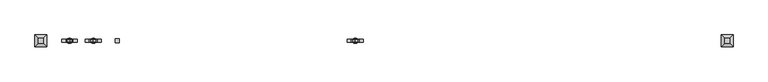
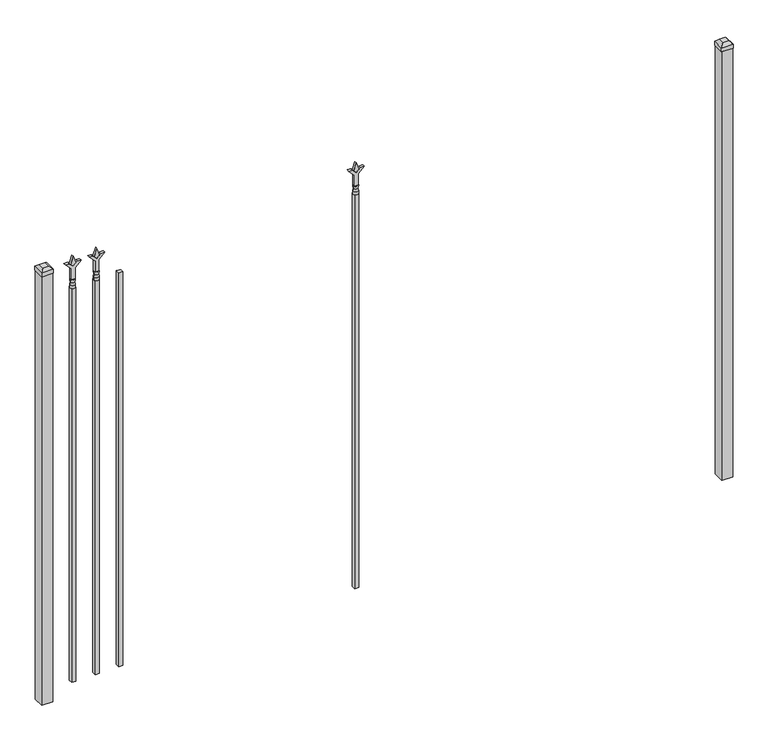
"""IFC4 building model written with IfcOpenShell, lengths in millimetres: railing geometry."""

from ifc_helpers import new_model, si_unit, frame, origin, origin_with_axes, place, context, project, spatial, polyline, circle_curve, outline, extrude, faceted_brep, source, transform, mapped, element, save
from ifc_brep_helpers import plane_surface, cylinder_surface, revolved_surface, advanced_brep


def railing_3973ff54(model_context):
    return source(origin(), model_context, "Body", "SolidModel", [
        extrude(outline(polyline([(-61004.5347536, -625.7320174), (-60985.4847536, -625.7320174), (-60985.4847536, -644.7820174), (-61004.5347536, -644.7820174), (-61004.5347536, -625.7320174)])), frame((0.0, 0.0, 50.8), z_axis=(0.0, 0.0, 1.0), x_axis=(1.0, 0.0, 0.0)), (0.0, 0.0, 1.0), 1930.4),
        extrude(outline(polyline([(2097.88125, -61092.3764203), (2133.6, -61104.2826703), (2097.88125, -61116.1889203), (2085.975, -61104.2826703), (2097.88125, -61092.3764203)])), frame((0.0, -640.0195174, 0.0), z_axis=(0.0, 1.0, 0.0), x_axis=(0.0, 0.0, 1.0)), (0.0, 0.0, 1.0), 9.525),
        extrude(outline(polyline([(2022.475, -61095.5514203), (2076.7457378, -61095.5514203), (2103.9355122, -61068.3616458), (2103.9355122, -61086.3221581), (2085.975, -61104.2826703), (2103.9355122, -61122.2431825), (2103.9355122, -61140.2036948), (2076.7457378, -61113.0139203), (2022.475, -61113.0139203), (2022.475, -61095.5514203)])), frame((0.0, -641.6070174, 0.0), z_axis=(0.0, 1.0, 0.0), x_axis=(0.0, 0.0, 1.0)), (0.0, 0.0, 1.0), 12.7),
        advanced_brep(
        [(-61092.3764203, -635.2570174, 1993.9), (-61116.1889203, -635.2570174, 1993.9), (-61116.1889203, -635.2570174, 1981.2), (-61092.3764203, -635.2570174, 1981.2), (-61094.5817522, -635.2570174, 2006.4070585), (-61113.9835884, -635.2570174, 2006.4070585), (-61092.3764203, -635.2570174, 2022.475), (-61116.1889203, -635.2570174, 2022.475), (-61104.2826703, -635.2570174, 2022.475), (-61104.2826703, -635.2570174, 1981.2)],
        [
            (0, 1, circle_curve(frame((-61104.2826703, -635.2570174, 1993.9), z_axis=(0.0, 0.0, -1.0), x_axis=(-1.0, 0.0, 0.0)), 11.90625)),
            (1, 2),
            (2, 3, circle_curve(frame((-61104.2826703, -635.2570174, 1981.2), z_axis=(0.0, 0.0, 1.0), x_axis=(-1.0, 0.0, 0.0)), 11.90625)),
            (3, 0),
            (1, 0, circle_curve(frame((-61104.2826703, -635.2570174, 1993.9), z_axis=(0.0, 0.0, -1.0), x_axis=(-1.0, 0.0, 0.0)), 11.90625)),
            (3, 2, circle_curve(frame((-61104.2826703, -635.2570174, 1981.2), z_axis=(0.0, 0.0, 1.0), x_axis=(-1.0, 0.0, 0.0)), 11.90625)),
            (4, 5, circle_curve(frame((-61104.2826703, -635.2570174, 2006.4070585), z_axis=(0.0, 0.0, -1.0), x_axis=(-1.0, 0.0, 0.0)), 9.7009181)),
            (5, 1),
            (0, 4),
            (5, 4, circle_curve(frame((-61104.2826703, -635.2570174, 2006.4070585), z_axis=(0.0, 0.0, -1.0), x_axis=(-1.0, 0.0, 0.0)), 9.7009181)),
            (6, 7, circle_curve(frame((-61104.2826703, -635.2570174, 2022.475), z_axis=(0.0, 0.0, -1.0), x_axis=(-1.0, 0.0, 0.0)), 11.90625)),
            (7, 5),
            (4, 6),
            (7, 6, circle_curve(frame((-61104.2826703, -635.2570174, 2022.475), z_axis=(0.0, 0.0, -1.0), x_axis=(-1.0, 0.0, 0.0)), 11.90625)),
            (8, 7),
            (6, 8),
            (2, 9),
            (9, 3),
        ],
        [
            cylinder_surface(frame((-61104.2826703, -635.2570174, 1981.2), z_axis=(0.0, 0.0, 1.0), x_axis=(-1.0, 0.0, 0.0)), 11.90625),
            revolved_surface(polyline([(-61116.1889203, -635.2570174, 1993.9), (-61113.9835884, -635.2570174, 2006.4070585)]), (-61104.2826703, -635.2570174, 1981.2), (0.0, 0.0, 1.0)),
            revolved_surface(polyline([(-61113.9835884, -635.2570174, 2006.4070585), (-61116.1889203, -635.2570174, 2022.475)]), (-61104.2826703, -635.2570174, 1981.2), (0.0, 0.0, 1.0)),
            plane_surface(frame((-61104.2826703, -635.2570174, 2022.475), z_axis=(0.0, 0.0, 1.0), x_axis=(-1.0, 0.0, 0.0))),
            plane_surface(frame((-61104.2826703, -635.2570174, 1981.2), z_axis=(0.0, 0.0, -1.0), x_axis=(-1.0, 0.0, 0.0))),
        ],
        [
            (0, [[1, 2, 3, 4]]),
            (0, [[5, -4, 6, -2]]),
            (1, [[7, 8, -1, 9]]),
            (1, [[10, -9, -5, -8]]),
            (2, [[11, 12, -7, 13]]),
            (2, [[14, -13, -10, -12]]),
            (3, [[15, -11, 16]]),
            (3, [[-16, -14, -15]]),
            (4, [[-3, 17, 18]]),
            (4, [[-6, -18, -17]]),
        ],
    ),
        extrude(outline(polyline([(-61113.8076703, -625.7320174), (-61094.7576703, -625.7320174), (-61094.7576703, -644.7820174), (-61113.8076703, -644.7820174), (-61113.8076703, -625.7320174)])), frame((0.0, 0.0, 50.8), z_axis=(0.0, 0.0, 1.0), x_axis=(1.0, 0.0, 0.0)), (0.0, 0.0, 1.0), 1930.4),
        extrude(outline(polyline([(2097.88125, -59890.374337), (2133.6, -59902.280587), (2097.88125, -59914.186837), (2085.975, -59902.280587), (2097.88125, -59890.374337)])), frame((0.0, -640.0195174, 0.0), z_axis=(0.0, 1.0, 0.0), x_axis=(0.0, 0.0, 1.0)), (0.0, 0.0, 1.0), 9.525),
        extrude(outline(polyline([(2022.475, -59893.549337), (2076.7457378, -59893.549337), (2103.9355122, -59866.3595625), (2103.9355122, -59884.3200747), (2085.975, -59902.280587), (2103.9355122, -59920.2410992), (2103.9355122, -59938.2016114), (2076.7457378, -59911.011837), (2022.475, -59911.011837), (2022.475, -59893.549337)])), frame((0.0, -641.6070174, 0.0), z_axis=(0.0, 1.0, 0.0), x_axis=(0.0, 0.0, 1.0)), (0.0, 0.0, 1.0), 12.7),
        advanced_brep(
        [(-59890.374337, -635.2570174, 1993.9), (-59914.186837, -635.2570174, 1993.9), (-59914.186837, -635.2570174, 1981.2), (-59890.374337, -635.2570174, 1981.2), (-59892.5796688, -635.2570174, 2006.4070585), (-59911.9815051, -635.2570174, 2006.4070585), (-59890.374337, -635.2570174, 2022.475), (-59914.186837, -635.2570174, 2022.475), (-59902.280587, -635.2570174, 2022.475), (-59902.280587, -635.2570174, 1981.2)],
        [
            (0, 1, circle_curve(frame((-59902.280587, -635.2570174, 1993.9), z_axis=(0.0, 0.0, -1.0), x_axis=(-1.0, 0.0, 0.0)), 11.90625)),
            (1, 2),
            (2, 3, circle_curve(frame((-59902.280587, -635.2570174, 1981.2), z_axis=(0.0, 0.0, 1.0), x_axis=(-1.0, 0.0, 0.0)), 11.90625)),
            (3, 0),
            (1, 0, circle_curve(frame((-59902.280587, -635.2570174, 1993.9), z_axis=(0.0, 0.0, -1.0), x_axis=(-1.0, 0.0, 0.0)), 11.90625)),
            (3, 2, circle_curve(frame((-59902.280587, -635.2570174, 1981.2), z_axis=(0.0, 0.0, 1.0), x_axis=(-1.0, 0.0, 0.0)), 11.90625)),
            (4, 5, circle_curve(frame((-59902.280587, -635.2570174, 2006.4070585), z_axis=(0.0, 0.0, -1.0), x_axis=(-1.0, 0.0, 0.0)), 9.7009181)),
            (5, 1),
            (0, 4),
            (5, 4, circle_curve(frame((-59902.280587, -635.2570174, 2006.4070585), z_axis=(0.0, 0.0, -1.0), x_axis=(-1.0, 0.0, 0.0)), 9.7009181)),
            (6, 7, circle_curve(frame((-59902.280587, -635.2570174, 2022.475), z_axis=(0.0, 0.0, -1.0), x_axis=(-1.0, 0.0, 0.0)), 11.90625)),
            (7, 5),
            (4, 6),
            (7, 6, circle_curve(frame((-59902.280587, -635.2570174, 2022.475), z_axis=(0.0, 0.0, -1.0), x_axis=(-1.0, 0.0, 0.0)), 11.90625)),
            (8, 7),
            (6, 8),
            (2, 9),
            (9, 3),
        ],
        [
            cylinder_surface(frame((-59902.280587, -635.2570174, 1981.2), z_axis=(0.0, 0.0, 1.0), x_axis=(-1.0, 0.0, 0.0)), 11.90625),
            revolved_surface(polyline([(-59914.186837, -635.2570174, 1993.9), (-59911.9815051, -635.2570174, 2006.4070585)]), (-59902.280587, -635.2570174, 1981.2), (0.0, 0.0, 1.0)),
            revolved_surface(polyline([(-59911.9815051, -635.2570174, 2006.4070585), (-59914.186837, -635.2570174, 2022.475)]), (-59902.280587, -635.2570174, 1981.2), (0.0, 0.0, 1.0)),
            plane_surface(frame((-59902.280587, -635.2570174, 2022.475), z_axis=(0.0, 0.0, 1.0), x_axis=(-1.0, 0.0, 0.0))),
            plane_surface(frame((-59902.280587, -635.2570174, 1981.2), z_axis=(0.0, 0.0, -1.0), x_axis=(-1.0, 0.0, 0.0))),
        ],
        [
            (0, [[1, 2, 3, 4]]),
            (0, [[5, -4, 6, -2]]),
            (1, [[7, 8, -1, 9]]),
            (1, [[10, -9, -5, -8]]),
            (2, [[11, 12, -7, 13]]),
            (2, [[14, -13, -10, -12]]),
            (3, [[15, -11, 16]]),
            (3, [[-16, -14, -15]]),
            (4, [[-3, 17, 18]]),
            (4, [[-6, -18, -17]]),
        ],
    ),
        extrude(outline(polyline([(-59911.805587, -625.7320174), (-59892.755587, -625.7320174), (-59892.755587, -644.7820174), (-59911.805587, -644.7820174), (-59911.805587, -625.7320174)])), frame((0.0, 0.0, 50.8), z_axis=(0.0, 0.0, 1.0), x_axis=(1.0, 0.0, 0.0)), (0.0, 0.0, 1.0), 1930.4),
        extrude(outline(polyline([(2097.88125, -61201.649337), (2133.6, -61213.555587), (2097.88125, -61225.461837), (2085.975, -61213.555587), (2097.88125, -61201.649337)])), frame((0.0, -640.0195174, 0.0), z_axis=(0.0, 1.0, 0.0), x_axis=(0.0, 0.0, 1.0)), (0.0, 0.0, 1.0), 9.525),
        extrude(outline(polyline([(2022.475, -61204.824337), (2076.7457378, -61204.824337), (2103.9355122, -61177.6345625), (2103.9355122, -61195.5950747), (2085.975, -61213.555587), (2103.9355122, -61231.5160992), (2103.9355122, -61249.4766114), (2076.7457378, -61222.286837), (2022.475, -61222.286837), (2022.475, -61204.824337)])), frame((0.0, -641.6070174, 0.0), z_axis=(0.0, 1.0, 0.0), x_axis=(0.0, 0.0, 1.0)), (0.0, 0.0, 1.0), 12.7),
        advanced_brep(
        [(-61201.649337, -635.2570174, 1993.9), (-61225.461837, -635.2570174, 1993.9), (-61225.461837, -635.2570174, 1981.2), (-61201.649337, -635.2570174, 1981.2), (-61203.8546688, -635.2570174, 2006.4070585), (-61223.2565051, -635.2570174, 2006.4070585), (-61201.649337, -635.2570174, 2022.475), (-61225.461837, -635.2570174, 2022.475), (-61213.555587, -635.2570174, 2022.475), (-61213.555587, -635.2570174, 1981.2)],
        [
            (0, 1, circle_curve(frame((-61213.555587, -635.2570174, 1993.9), z_axis=(0.0, 0.0, -1.0), x_axis=(-1.0, 0.0, 0.0)), 11.90625)),
            (1, 2),
            (2, 3, circle_curve(frame((-61213.555587, -635.2570174, 1981.2), z_axis=(0.0, 0.0, 1.0), x_axis=(-1.0, 0.0, 0.0)), 11.90625)),
            (3, 0),
            (1, 0, circle_curve(frame((-61213.555587, -635.2570174, 1993.9), z_axis=(0.0, 0.0, -1.0), x_axis=(-1.0, 0.0, 0.0)), 11.90625)),
            (3, 2, circle_curve(frame((-61213.555587, -635.2570174, 1981.2), z_axis=(0.0, 0.0, 1.0), x_axis=(-1.0, 0.0, 0.0)), 11.90625)),
            (4, 5, circle_curve(frame((-61213.555587, -635.2570174, 2006.4070585), z_axis=(0.0, 0.0, -1.0), x_axis=(-1.0, 0.0, 0.0)), 9.7009181)),
            (5, 1),
            (0, 4),
            (5, 4, circle_curve(frame((-61213.555587, -635.2570174, 2006.4070585), z_axis=(0.0, 0.0, -1.0), x_axis=(-1.0, 0.0, 0.0)), 9.7009181)),
            (6, 7, circle_curve(frame((-61213.555587, -635.2570174, 2022.475), z_axis=(0.0, 0.0, -1.0), x_axis=(-1.0, 0.0, 0.0)), 11.90625)),
            (7, 5),
            (4, 6),
            (7, 6, circle_curve(frame((-61213.555587, -635.2570174, 2022.475), z_axis=(0.0, 0.0, -1.0), x_axis=(-1.0, 0.0, 0.0)), 11.90625)),
            (8, 7),
            (6, 8),
            (2, 9),
            (9, 3),
        ],
        [
            cylinder_surface(frame((-61213.555587, -635.2570174, 1981.2), z_axis=(0.0, 0.0, 1.0), x_axis=(-1.0, 0.0, 0.0)), 11.90625),
            revolved_surface(polyline([(-61225.461837, -635.2570174, 1993.9), (-61223.2565051, -635.2570174, 2006.4070585)]), (-61213.555587, -635.2570174, 1981.2), (0.0, 0.0, 1.0)),
            revolved_surface(polyline([(-61223.2565051, -635.2570174, 2006.4070585), (-61225.461837, -635.2570174, 2022.475)]), (-61213.555587, -635.2570174, 1981.2), (0.0, 0.0, 1.0)),
            plane_surface(frame((-61213.555587, -635.2570174, 2022.475), z_axis=(0.0, 0.0, 1.0), x_axis=(-1.0, 0.0, 0.0))),
            plane_surface(frame((-61213.555587, -635.2570174, 1981.2), z_axis=(0.0, 0.0, -1.0), x_axis=(-1.0, 0.0, 0.0))),
        ],
        [
            (0, [[1, 2, 3, 4]]),
            (0, [[5, -4, 6, -2]]),
            (1, [[7, 8, -1, 9]]),
            (1, [[10, -9, -5, -8]]),
            (2, [[11, 12, -7, 13]]),
            (2, [[14, -13, -10, -12]]),
            (3, [[15, -11, 16]]),
            (3, [[-16, -14, -15]]),
            (4, [[-3, 17, 18]]),
            (4, [[-6, -18, -17]]),
        ],
    ),
        extrude(outline(polyline([(-61223.080587, -625.7320174), (-61204.030587, -625.7320174), (-61204.030587, -644.7820174), (-61223.080587, -644.7820174), (-61223.080587, -625.7320174)])), frame((0.0, 0.0, 50.8), z_axis=(0.0, 0.0, 1.0), x_axis=(1.0, 0.0, 0.0)), (0.0, 0.0, 1.0), 1930.4),
        extrude(outline(polyline([(-58170.318087, -609.8570174), (-58170.318087, -660.6570174), (-58221.118087, -660.6570174), (-58221.118087, -609.8570174), (-58170.318087, -609.8570174)])), origin_with_axes(), (0.0, 0.0, 1.0), 2101.85),
        faceted_brep([(-58222.705587, -608.2695174, 2120.9), (-58222.705587, -608.2695174, 2101.85), (-58222.705587, -662.2445174, 2101.85), (-58222.705587, -662.2445174, 2120.9), (-58210.005587, -620.9695174, 2133.6), (-58210.005587, -649.5445174, 2133.6), (-58168.730587, -662.2445174, 2101.85), (-58168.730587, -662.2445174, 2120.9), (-58181.430587, -649.5445174, 2133.6), (-58168.730587, -608.2695174, 2101.85), (-58168.730587, -608.2695174, 2120.9), (-58181.430587, -620.9695174, 2133.6)], [[[0, 1, 2, 3]], [[4, 0, 3, 5]], [[3, 2, 6, 7]], [[5, 3, 7, 8]], [[7, 6, 9, 10]], [[8, 7, 10, 11]], [[10, 9, 1, 0]], [[11, 10, 0, 4]], [[5, 8, 11, 4]], [[1, 9, 6, 2]]]),
        extrude(outline(polyline([(-61319.918087, -609.8570174), (-61319.918087, -660.6570174), (-61370.718087, -660.6570174), (-61370.718087, -609.8570174), (-61319.918087, -609.8570174)])), origin_with_axes(), (0.0, 0.0, 1.0), 2101.85),
        faceted_brep([(-61372.305587, -608.2695174, 2120.9), (-61372.305587, -608.2695174, 2101.85), (-61372.305587, -662.2445174, 2101.85), (-61372.305587, -662.2445174, 2120.9), (-61359.605587, -620.9695174, 2133.6), (-61359.605587, -649.5445174, 2133.6), (-61318.330587, -662.2445174, 2101.85), (-61318.330587, -662.2445174, 2120.9), (-61331.030587, -649.5445174, 2133.6), (-61318.330587, -608.2695174, 2101.85), (-61318.330587, -608.2695174, 2120.9), (-61331.030587, -620.9695174, 2133.6)], [[[0, 1, 2, 3]], [[4, 0, 3, 5]], [[3, 2, 6, 7]], [[5, 3, 7, 8]], [[7, 6, 9, 10]], [[8, 7, 10, 11]], [[10, 9, 1, 0]], [[11, 10, 0, 4]], [[5, 8, 11, 4]], [[1, 9, 6, 2]]]),
    ])


if __name__ == "__main__":
    model = new_model("IFC4")
    model_context = context("Model", 3, world=origin())
    ifc_project = project(units=[si_unit("LENGTHUNIT", "METRE", prefix="MILLI")], contexts=[model_context])
    site = spatial("IfcSite", under=ifc_project)
    building = spatial("IfcBuilding", under=site)
    placement = place(None, origin())
    railing_shape = railing_3973ff54(model_context)
    element("IfcRailing", 1, at=placement, inside=building, context=model_context, shape_type="MappedRepresentation", body=[
        mapped(railing_shape, transform((0.0, 0.0, 0.0), x_axis=(1.0, 0.0, 0.0), y_axis=(0.0, 1.0, 0.0), z_axis=(0.0, 0.0, 1.0))),
    ])
    save(model, "model.ifc")
